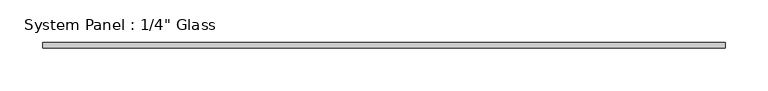
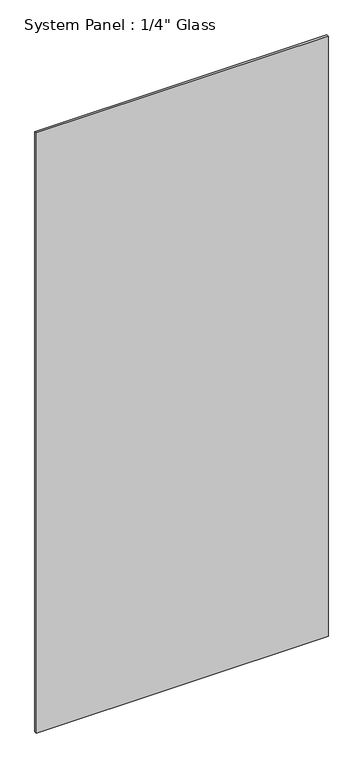
"""IFC4 building model written with IfcOpenShell, lengths in millimetres: plate geometry."""

import ifcopenshell
import ifcopenshell.guid

model = None  # the IFC model being written
_history = None  # IfcOwnerHistory: only IFC2X3 demands one
_inside = {}  # id of a spatial element -> (the spatial element, [elements in it])
_under = {}  # id of a project, library or spatial element -> (it, [spatial elements below it])
_declared = {}  # id of a project -> (the project, [libraries it declares])
_typed = {}  # id of a type object -> (the type object, [elements of that type])
_made_of = {}  # id of a material, layer set ... -> (it, [elements and type objects made of it])


def new_model(schema):
    """Start an empty IFC model of exactly this schema.

    Asked for "IFC4X3", IfcOpenShell would pick the latest addendum, in which some entities
    have other attributes; the version numbers below select the first issue.
    IFC2X3 requires an IfcOwnerHistory on every rooted entity: one is made here for all.
    """
    global model, _history
    if schema == "IFC4X3":
        model = ifcopenshell.file(schema_version=(4, 3, 0, 0))
    else:
        model = ifcopenshell.file(schema=schema)
    _inside.clear()
    _under.clear()
    _declared.clear()
    _typed.clear()
    _made_of.clear()
    _history = None
    if model.schema == "IFC2X3":
        org = make("IfcOrganization", Name="unknown")
        user = make(
            "IfcPersonAndOrganization",
            ThePerson=make("IfcPerson", FamilyName="unknown"),
            TheOrganization=org,
        )
        app = make(
            "IfcApplication",
            ApplicationDeveloper=org,
            Version="unknown",
            ApplicationFullName="unknown",
            ApplicationIdentifier="unknown",
        )
        _history = make(
            "IfcOwnerHistory",
            OwningUser=user,
            OwningApplication=app,
            ChangeAction="ADDED",
            CreationDate=0,
        )
    return model


def make(cls, **values):
    """One entity of the class cls with the attributes given. An attribute that is None is left unset."""
    return model.create_entity(
        cls, **{name: value for name, value in values.items() if value is not None}
    )


def rooted(cls, **values):
    """An entity with a GlobalId (a new one), such as an element, a storey or a relation."""
    return make(cls, GlobalId=ifcopenshell.guid.new(), OwnerHistory=_history, **values)


def si_unit(unit_type, name, prefix=None):
    """IfcSIUnit, for example si_unit("LENGTHUNIT", "METRE", prefix="MILLI")."""
    return make("IfcSIUnit", UnitType=unit_type, Prefix=prefix, Name=name)


def assignment(units):
    """IfcUnitAssignment: the units of a project."""
    return None if units is None else make("IfcUnitAssignment", Units=units)


def point(xyz):
    """IfcCartesianPoint."""
    return None if xyz is None else make("IfcCartesianPoint", Coordinates=xyz)


def direction(xyz):
    """IfcDirection."""
    return None if xyz is None else make("IfcDirection", DirectionRatios=xyz)


def frame(location, z_axis=None, x_axis=None):
    """IfcAxis2Placement3D, a coordinate frame: its origin and axes. An axis left out is left unset."""
    return make(
        "IfcAxis2Placement3D",
        Location=point(location),
        Axis=direction(z_axis),
        RefDirection=direction(x_axis),
    )


def origin():
    """The frame at (0, 0, 0) with its axes left unset."""
    return frame((0.0, 0.0, 0.0))


def origin_with_axes():
    """The frame at (0, 0, 0) with the z axis (0, 0, 1) and the x axis (1, 0, 0) written out."""
    return frame((0.0, 0.0, 0.0), z_axis=(0.0, 0.0, 1.0), x_axis=(1.0, 0.0, 0.0))


def place(relative_to, where):
    """IfcLocalPlacement: puts the frame where relative to a parent placement (None: the world)."""
    return make(
        "IfcLocalPlacement", PlacementRelTo=relative_to, RelativePlacement=where
    )


def context(
    kind, dimensions, precision=None, world=None, true_north=None, identifier=None
):
    """IfcGeometricRepresentationContext, for example the 3D "Model" context."""
    return make(
        "IfcGeometricRepresentationContext",
        ContextIdentifier=identifier,
        ContextType=kind,
        CoordinateSpaceDimension=dimensions,
        Precision=precision,
        WorldCoordinateSystem=world,
        TrueNorth=true_north,
    )


def project(units=None, contexts=None):
    """IfcProject with its units and contexts."""
    return rooted(
        "IfcProject",
        Name="project",
        RepresentationContexts=contexts,
        UnitsInContext=assignment(units),
    )


def spatial(cls, under=None, at=None, **own):
    """A site, building, storey or space (cls), placed at a placement, below another one or the project."""
    s = rooted(cls, ObjectPlacement=at, **own)
    if under is not None:
        _under.setdefault(under.id(), (under, []))[1].append(s)
    return s


def polyline(points):
    """IfcPolyline through the points."""
    return make("IfcPolyline", Points=[point(p) for p in points])


def outline(outer, holes=None, kind="AREA"):
    """IfcArbitraryClosedProfileDef: a profile drawn as a closed curve; with holes, ...WithVoids."""
    if holes is None:
        return make("IfcArbitraryClosedProfileDef", ProfileType=kind, OuterCurve=outer)
    return make(
        "IfcArbitraryProfileDefWithVoids",
        ProfileType=kind,
        OuterCurve=outer,
        InnerCurves=holes,
    )


def extrude(swept, where, along, depth):
    """IfcExtrudedAreaSolid: the profile swept, set in the frame where, extruded along a direction by depth."""
    return make(
        "IfcExtrudedAreaSolid",
        SweptArea=swept,
        Position=where,
        ExtrudedDirection=direction(along),
        Depth=depth,
    )


def shape(context_of_items, identifier, shape_type, items):
    """IfcShapeRepresentation: the items that make up one representation, for example the "Body"."""
    return make(
        "IfcShapeRepresentation",
        ContextOfItems=context_of_items,
        RepresentationIdentifier=identifier,
        RepresentationType=shape_type,
        Items=items,
    )


def source(mapping_origin, context_of_items, identifier, shape_type, items):
    """IfcRepresentationMap: a shape defined once, which mapped items show again and again."""
    return make(
        "IfcRepresentationMap",
        MappingOrigin=mapping_origin,
        MappedRepresentation=shape(context_of_items, identifier, shape_type, items),
    )


def transform(
    local_origin,
    x_axis=None,
    y_axis=None,
    z_axis=None,
    scale=None,
    scale2=None,
    scale3=None,
    uniform=True,
):
    """IfcCartesianTransformationOperator3D, or its non-uniform kind. x_axis, y_axis, z_axis: its Axis1, 2, 3."""
    if uniform:
        return make(
            "IfcCartesianTransformationOperator3D",
            Axis1=direction(x_axis),
            Axis2=direction(y_axis),
            LocalOrigin=point(local_origin),
            Scale=scale,
            Axis3=direction(z_axis),
        )
    return make(
        "IfcCartesianTransformationOperator3DnonUniform",
        Axis1=direction(x_axis),
        Axis2=direction(y_axis),
        LocalOrigin=point(local_origin),
        Scale=scale,
        Axis3=direction(z_axis),
        Scale2=scale2,
        Scale3=scale3,
    )


def mapped(mapping_source, mapping_target):
    """IfcMappedItem: shows the shape of a source again, moved by a transform."""
    return make(
        "IfcMappedItem", MappingSource=mapping_source, MappingTarget=mapping_target
    )


def made_of(thing, what):
    """Note that an element or type object is made of a material, layer set ...; save() writes the relation."""
    if what is not None:
        _made_of.setdefault(what.id(), (what, []))[1].append(thing)
    return thing


def element(
    cls,
    number,
    at=None,
    inside=None,
    cuts=None,
    type_object=None,
    material=None,
    context=None,
    identifier="Body",
    shape_type=None,
    held_by="IfcProductDefinitionShape",
    body=None,
    shapes=None,
    **own,
):
    """One element of the class cls, such as IfcWall. Its Tag is "e" and its number.

    at: its placement. inside: the storey or other place that contains it. cuts: it is an
    opening in that element (IfcRelVoidsElement). A single representation is given by context,
    identifier, shape_type and body (its items); several are given by shapes. held_by: the class
    of the entity that holds the representations. save() writes the other relations.
    """
    e = rooted(cls, Tag="e%d" % number, ObjectPlacement=at, **own)
    if body is not None:
        shapes = [shape(context, identifier, shape_type, body)]
    if shapes is not None:
        e.Representation = make(held_by, Representations=shapes)
    if inside is not None:
        _inside.setdefault(inside.id(), (inside, []))[1].append(e)
    if cuts is not None:
        rooted(
            "IfcRelVoidsElement", RelatingBuildingElement=cuts, RelatedOpeningElement=e
        )
    if type_object is not None:
        _typed.setdefault(type_object.id(), (type_object, []))[1].append(e)
    return made_of(e, material)


def aggregate(whole, parts):
    """IfcRelAggregates: a whole, such as a stair, and the parts it consists of."""
    return rooted("IfcRelAggregates", RelatingObject=whole, RelatedObjects=parts)


def save(model, path):
    """Write the relations noted so far, then the file.

    IfcRelAggregates (storeys below a building ...), IfcRelContainedInSpatialStructure (elements
    in a storey), IfcRelDefinesByType, IfcRelAssociatesMaterial and IfcRelDeclares: one each for
    every whole, place, type object, material and project.
    """
    for whole, parts in _under.values():
        aggregate(whole, parts)
    for where, things in _inside.values():
        rooted(
            "IfcRelContainedInSpatialStructure",
            RelatedElements=things,
            RelatingStructure=where,
        )
    for kind, things in _typed.values():
        rooted("IfcRelDefinesByType", RelatedObjects=things, RelatingType=kind)
    for what, things in _made_of.values():
        rooted("IfcRelAssociatesMaterial", RelatedObjects=things, RelatingMaterial=what)
    for by, libraries in _declared.values():
        rooted("IfcRelDeclares", RelatingContext=by, RelatedDefinitions=libraries)
    model.write(path)


def plate_317b98ad(model_context):
    return source(origin(), model_context, "Body", "SweptSolid", [
        extrude(outline(polyline([(400.05, -3.175), (-400.05, -3.175), (-400.05, 3.175), (400.05, 3.175), (400.05, -3.175)])), origin_with_axes(), (0.0, 0.0, 1.0), 1739.9),
    ])


if __name__ == "__main__":
    model = new_model("IFC4")
    model_context = context("Model", 3, world=origin())
    ifc_project = project(units=[si_unit("LENGTHUNIT", "METRE", prefix="MILLI")], contexts=[model_context])
    site = spatial("IfcSite", under=ifc_project)
    building = spatial("IfcBuilding", under=site)
    placement = place(None, origin())
    plate_shape = plate_317b98ad(model_context)
    element("IfcPlate", 1, ObjectType="System Panel : 1/4\" Glass", at=placement, inside=building, context=model_context, shape_type="MappedRepresentation", body=[
        mapped(plate_shape, transform((0.0, 0.0, 0.0), x_axis=(1.0, 0.0, 0.0), y_axis=(0.0, 1.0, 0.0), z_axis=(0.0, 0.0, 1.0))),
    ])
    save(model, "model.ifc")
